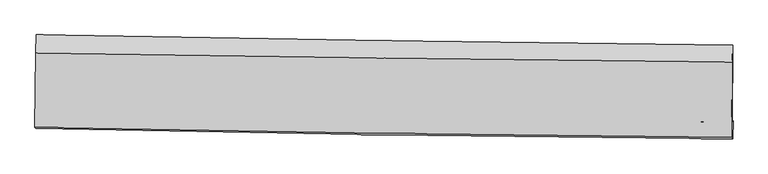
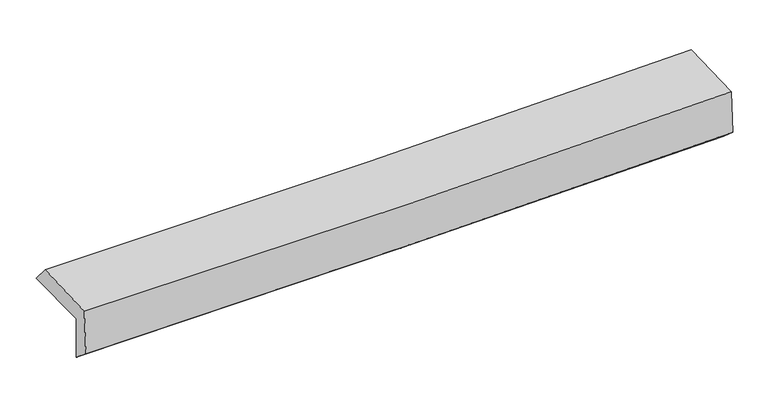
"""IFC4 building model written with IfcOpenShell, lengths in millimetres: proxy geometry."""

from ifc_helpers import new_model, si_unit, frame, origin, place, context, project, spatial, source, transform, mapped, element, save
from ifc_brep_helpers import plane_surface, spline_curve, spline_surface, advanced_brep


def generic_models_afd30bbb(model_context):
    return source(origin(), model_context, "Body", "AdvancedBrep", [
        advanced_brep(
        [(-3030.8846463, -1755.6772424, 1948.2206826), (-3024.2101301, -1087.7824, 1944.028601), (3016.1817055, -1178.3667237, 2124.9574301), (3010.5133357, -1845.6451748, 2113.1719788), (-3022.0744298, -1742.4292273, 1554.0522555), (3019.7314539, -1836.0469092, 1698.7421564), (-3026.6778344, -1903.6542908, 1690.9497939), (3015.3844158, -1991.4401673, 1833.3570808), (-3035.7581424, -1893.288592, 2107.9522088), (3006.6680013, -1981.5084601, 2232.8938675), (-3029.8401213, -1248.1590681, 2127.9261289), (3012.0602533, -1324.0900999, 2253.2340143)],
        [
            (0, 1),
            (1, 2, spline_curve(3, [(-3024.2101301, -1087.7824, 1944.028601), (-2017.486822922, -1106.17773743, 1972.56488265), (-1010.759575197, -1122.924095154, 2001.910413777), (1002.704369935, -1153.118874783, 2062.220020635), (2009.441067534, -1166.5672916, 2093.184099725), (3016.1817055, -1178.3667237, 2124.9574301)], [4, 2, 4], [0.0, 9.914806326031936, 19.82962810968252])),
            (2, 3),
            (3, 0, spline_curve(3, [(3010.5133357, -1845.6451748, 2113.1719788), (2003.713479148, -1834.237953881, 2078.722035865), (996.863326599, -1821.037008618, 2047.751115113), (-1016.936000999, -1791.047692359, 1992.767360348), (-2023.885175742, -1774.25932686, 1968.754515853), (-3030.8846463, -1755.6772424, 1948.2206826)], [4, 2, 4], [0.0, 9.914821783650584, 19.82962810968252])),
            (4, 0),
            (3, 5),
            (5, 4, spline_curve(3, [(3019.7314539, -1836.0469092, 1698.7421564), (2012.853170574, -1825.401234888, 1667.532139316), (1005.929812768, -1812.276916588, 1639.869632544), (-1008.005481862, -1781.071014538, 1591.639676653), (-2015.017418636, -1762.989439378, 1571.072216605), (-3022.0744298, -1742.4292273, 1554.0522555)], [4, 2, 4], [0.0, 9.915266533053474, 19.830517607794917])),
            (6, 4),
            (5, 7),
            (7, 6, spline_curve(3, [(3015.3844158, -1991.4401673, 1833.3570808), (2008.466847374, -1983.155815806, 1801.753133697), (1001.502482941, -1971.698142071, 1774.08388014), (-1012.518267369, -1942.436173539, 1726.614796663), (-2019.574652992, -1924.631888028, 1706.814954771), (-3026.6778344, -1903.6542908, 1690.9497939)], [4, 2, 4], [0.0, 9.915356989647096, 19.830698520841135])),
            (8, 6),
            (7, 9),
            (9, 8, spline_curve(3, [(3006.6680013, -1981.5084601, 2232.8938675), (1999.816717972, -1973.296492125, 2198.379099695), (992.855171988, -1961.83884412, 2170.7099081), (-1021.286876322, -1932.432211403, 2129.062710165), (-2028.467378092, -1914.483236707, 2115.084682088), (-3035.7581424, -1893.288592, 2107.9522088)], [4, 2, 4], [0.0, 9.915493363504234, 19.8309712683428])),
            (10, 8),
            (9, 11),
            (11, 10, spline_curve(3, [(3012.0602533, -1324.0900999, 2253.2340143), (2005.34054568, -1313.831990076, 2218.785114155), (998.488601043, -1302.375343144, 2191.11833731), (-1015.478190713, -1277.064995586, 2149.34906365), (-2022.593037908, -1263.211298462, 2135.246545044), (-3029.8401213, -1248.1590681, 2127.9261289)], [4, 2, 4], [0.0, 9.914982040567066, 19.829948623265636])),
            (1, 10),
            (11, 2),
        ],
        [
            spline_surface(3, 3, [[(-3030.8846463, -1755.6772424, 1948.2206826), (-2023.885175646, -1774.259326824, 1968.754515885), (-1016.936000946, -1791.047692285, 1992.767360462), (996.863326545, -1821.037008692, 2047.751114999), (2003.713479177, -1834.237954003, 2078.722035853), (3010.5133357, -1845.6451748, 2113.1719788)], [(-3028.659807549, -1533.045628264, 1946.823322055), (-2021.752391341, -1551.565463673, 1970.024638148), (-1014.877192367, -1568.339826556, 1995.815044837), (998.810341026, -1598.397630739, 2052.574083589), (2005.622675343, -1611.681066553, 2083.542723772), (3012.402792327, -1623.219024442, 2117.100462575)], [(-3026.434968851, -1310.414014136, 1945.425961545), (-2019.61960709, -1328.871600529, 1971.294760448), (-1012.818383808, -1345.631960831, 1998.86272924), (1000.757355487, -1375.758252789, 2057.397052207), (2007.531871427, -1389.124179077, 2088.363411664), (3014.292248873, -1400.792874058, 2121.028946325)], [(-3024.2101301, -1087.7824, 1944.028601), (-2017.486822786, -1106.177737377, 1972.564882711), (-1010.75957523, -1122.924095102, 2001.910413616), (1002.704369968, -1153.118874836, 2062.220020797), (2009.441067592, -1166.567291627, 2093.184099583), (3016.1817055, -1178.3667237, 2124.9574301)]], [4, 4], [4, 2, 4], [0.0, 2.192100394516814], [0.0, 9.914806326031936, 19.82962810968252]),
            spline_surface(3, 3, [[(-3022.0744298, -1742.4292273, 1554.0522555), (-2015.01741868, -1762.989439377, 1571.072216564), (-1008.0054819, -1781.071014702, 1591.639676654), (1005.929812806, -1812.276916424, 1639.869632542), (2012.853170595, -1825.401235012, 1667.532139453), (3019.7314539, -1836.0469092, 1698.7421564)], [(-3025.011168651, -1746.845232341, 1685.4417312), (-2017.973337686, -1766.746068534, 1703.632983004), (-1010.982321576, -1784.396573886, 1725.34890458), (1002.907650725, -1815.19694717, 1775.830126684), (2009.806606774, -1828.346808005, 1804.595438254), (3016.658747818, -1839.246331062, 1836.885430534)], [(-3027.947907449, -1751.261237359, 1816.8312069), (-2020.92925664, -1770.502697668, 1836.193749445), (-1013.95916127, -1787.722133101, 1859.058132537), (999.885488626, -1818.116977946, 1911.790620857), (2006.760042999, -1831.29238101, 1941.658737052), (3013.586041782, -1842.445752938, 1975.028704666)], [(-3030.8846463, -1755.6772424, 1948.2206826), (-2023.885175646, -1774.259326824, 1968.754515885), (-1016.936000946, -1791.047692285, 1992.767360462), (996.863326545, -1821.037008692, 2047.751114999), (2003.713479177, -1834.237954003, 2078.722035853), (3010.5133357, -1845.6451748, 2113.1719788)]], [4, 4], [4, 2, 4], [0.0, 1.3277989184278884], [0.0, 9.915251074741443, 19.830517607794917]),
            spline_surface(3, 3, [[(-3026.6778344, -1903.6542908, 1690.9497939), (-2019.57465302, -1924.631888179, 1706.814954688), (-1012.518267312, -1942.436173442, 1726.614796719), (1001.502482884, -1971.698142168, 1774.083880084), (2008.466847276, -1983.155815742, 1801.753133685), (3015.3844158, -1991.4401673, 1833.3570808)], [(-3025.143366201, -1849.912602937, 1645.31728111), (-2018.055574908, -1870.751071882, 1661.567375323), (-1011.014005529, -1888.647787218, 1681.623090061), (1002.978259504, -1918.55773361, 1729.345797601), (2009.928955062, -1930.570955498, 1757.012802267), (3016.833428513, -1939.642414599, 1788.485439326)], [(-3023.608897999, -1796.170915163, 1599.68476829), (-2016.536496792, -1816.870255674, 1616.319795928), (-1009.509743683, -1834.859400926, 1636.631383312), (1004.454036186, -1865.417324982, 1684.607715026), (2011.391062808, -1877.986095257, 1712.272470871), (3018.282441187, -1887.844661901, 1743.613797874)], [(-3022.0744298, -1742.4292273, 1554.0522555), (-2015.01741868, -1762.989439377, 1571.072216564), (-1008.0054819, -1781.071014702, 1591.639676654), (1005.929812806, -1812.276916424, 1639.869632542), (2012.853170595, -1825.401235012, 1667.532139453), (3019.7314539, -1836.0469092, 1698.7421564)]], [4, 4], [4, 2, 4], [0.0, 0.6871122587427873], [0.0, 9.91534153119404, 19.830698520841135]),
            spline_surface(3, 3, [[(-3035.7581424, -1893.288592, 2107.9522088), (-2028.467378023, -1914.483236614, 2115.08468198), (-1021.28687629, -1932.432211349, 2129.062710008), (992.855171957, -1961.838844174, 2170.709908257), (1999.816718117, -1973.29649213, 2198.379099741), (3006.6680013, -1981.5084601, 2232.8938675)], [(-3032.731373049, -1896.743824949, 1968.95140385), (-2025.503136338, -1917.866120485, 1978.9947729), (-1018.364006601, -1935.766865349, 1994.913405577), (995.737608963, -1965.125276807, 2038.501232198), (2002.700094501, -1976.582933343, 2066.170444379), (3009.573472798, -1984.819029176, 2099.71493859)], [(-3029.704603751, -1900.199057851, 1829.95059885), (-2022.538894705, -1921.249004308, 1842.904863768), (-1015.441137002, -1939.101519443, 1860.76410115), (998.620045878, -1968.411709535, 1906.292556143), (2005.583470892, -1979.869374528, 1933.961789047), (3012.478944302, -1988.129598224, 1966.53600971)], [(-3026.6778344, -1903.6542908, 1690.9497939), (-2019.57465302, -1924.631888179, 1706.814954688), (-1012.518267312, -1942.436173442, 1726.614796719), (1001.502482884, -1971.698142168, 1774.083880084), (2008.466847276, -1983.155815742, 1801.753133685), (3015.3844158, -1991.4401673, 1833.3570808)]], [4, 4], [4, 2, 4], [0.0, 1.311532944915647], [0.0, 9.915477904838566, 19.8309712683428]),
            spline_surface(3, 3, [[(-3029.8401213, -1248.1590681, 2127.9261289), (-2022.593037946, -1263.211298373, 2135.246545002), (-1015.478190813, -1277.064995529, 2149.349063486), (998.488601143, -1302.375343201, 2191.118337474), (2005.340545522, -1313.831989975, 2218.78511412), (3012.0602533, -1324.0900999, 2253.2340143)], [(-3031.812795004, -1463.202242728, 2121.268155504), (-2024.551151309, -1480.301944448, 2128.525923965), (-1017.414419327, -1495.520734157, 2142.586945659), (996.610791394, -1522.196510214, 2184.315527734), (2003.499269709, -1533.653490691, 2211.983109324), (3010.262835955, -1543.229553298, 2246.453965364)], [(-3033.785468696, -1678.245417372, 2114.610182196), (-2026.50926466, -1697.392590539, 2121.805303017), (-1019.350647777, -1713.976472721, 2135.824827835), (994.732981707, -1742.017677161, 2177.512717997), (2001.65799393, -1753.474991414, 2205.181104537), (3008.465418645, -1762.369006702, 2239.673916436)], [(-3035.7581424, -1893.288592, 2107.9522088), (-2028.467378023, -1914.483236614, 2115.08468198), (-1021.28687629, -1932.432211349, 2129.062710008), (992.855171957, -1961.838844174, 2170.709908257), (1999.816718117, -1973.29649213, 2198.379099741), (3006.6680013, -1981.5084601, 2232.8938675)]], [4, 4], [4, 2, 4], [0.0, 2.1579890061293807], [0.0, 9.91496658269857, 19.829948623265636]),
            spline_surface(3, 3, [[(-3024.2101301, -1087.7824, 1944.028601), (-2017.486822786, -1106.177737377, 1972.564882711), (-1010.75957523, -1122.924095102, 2001.910413616), (1002.704369968, -1153.118874836, 2062.220020797), (2009.441067592, -1166.567291627, 2093.184099583), (3016.1817055, -1178.3667237, 2124.9574301)], [(-3026.086793846, -1141.24128938, 2005.327776982), (-2019.188894518, -1158.522257723, 2026.792103489), (-1012.332447092, -1174.304395242, 2051.056630231), (1001.299113692, -1202.871030955, 2105.186126347), (2008.074226891, -1215.655524399, 2135.05110444), (3014.807888089, -1226.941182423, 2167.716291511)], [(-3027.963457554, -1194.70017872, 2066.626952918), (-2020.890966214, -1210.866778028, 2081.019324223), (-1013.905318951, -1225.684695389, 2100.202846871), (999.893857419, -1252.623187081, 2148.152231923), (2006.707386224, -1264.743757203, 2176.918109263), (3013.434070711, -1275.515641177, 2210.475152889)], [(-3029.8401213, -1248.1590681, 2127.9261289), (-2022.593037946, -1263.211298373, 2135.246545002), (-1015.478190813, -1277.064995529, 2149.349063486), (998.488601143, -1302.375343201, 2191.118337474), (2005.340545522, -1313.831989975, 2218.78511412), (3012.0602533, -1324.0900999, 2253.2340143)]], [4, 4], [4, 2, 4], [0.0, 0.6733556928946868], [0.0, 9.91421225856661, 19.82843997382569]),
            plane_surface(frame((3013.4231942, -1692.8495892, 2042.726088), z_axis=(0.999717839188728, -0.008881471928121358, 0.02203092063920425), x_axis=(0.021804377871065973, -0.024844469879648032, -0.999453511386125))),
            plane_surface(frame((-3028.2408841, -1605.1651368, 1895.5216118), z_axis=(-0.9997091210251356, 0.009852286415538836, -0.022013763684048174), x_axis=(-0.009992668192035955, -0.9999303760113966, 0.006276122378586606))),
        ],
        [
            (0, [[1, 2, 3, 4]]),
            (1, [[5, -4, 6, 7]]),
            (2, [[8, -7, 9, 10]]),
            (3, [[11, -10, 12, 13]]),
            (4, [[14, -13, 15, 16]]),
            (5, [[17, -16, 18, -2]]),
            (6, [[-12, -9, -6, -3, -18, -15]]),
            (7, [[-1, -5, -8, -11, -14, -17]]),
        ],
    ),
    ])


if __name__ == "__main__":
    model = new_model("IFC4")
    model_context = context("Model", 3, world=origin())
    ifc_project = project(units=[si_unit("LENGTHUNIT", "METRE", prefix="MILLI")], contexts=[model_context])
    site = spatial("IfcSite", under=ifc_project)
    building = spatial("IfcBuilding", under=site)
    placement = place(None, origin())
    generic_models_shape = generic_models_afd30bbb(model_context)
    element("IfcBuildingElementProxy", 1, Name="Generic Models", at=placement, inside=building, context=model_context, shape_type="MappedRepresentation", body=[
        mapped(generic_models_shape, transform((0.0, 0.0, 0.0), x_axis=(1.0, 0.0, 0.0), y_axis=(0.0, 1.0, 0.0), z_axis=(0.0, 0.0, 1.0))),
    ])
    save(model, "model.ifc")
